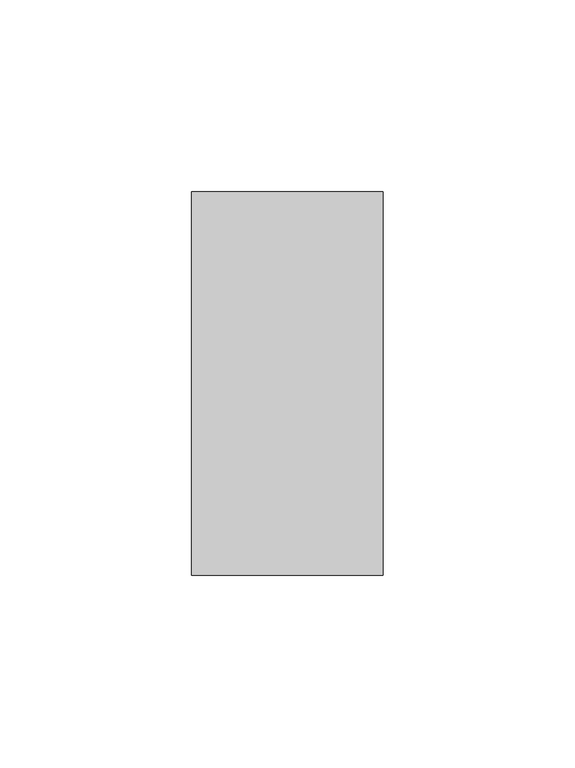
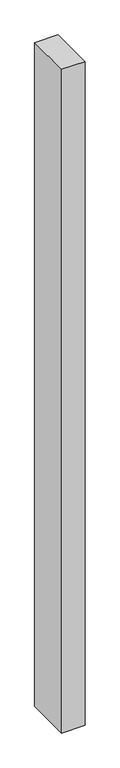
"""IFC4 building model written with IfcOpenShell, lengths in millimetres: plate geometry."""

import ifcopenshell
import ifcopenshell.guid

model = None  # the IFC model being written
_history = None  # IfcOwnerHistory: only IFC2X3 demands one
_inside = {}  # id of a spatial element -> (the spatial element, [elements in it])
_under = {}  # id of a project, library or spatial element -> (it, [spatial elements below it])
_declared = {}  # id of a project -> (the project, [libraries it declares])
_typed = {}  # id of a type object -> (the type object, [elements of that type])
_made_of = {}  # id of a material, layer set ... -> (it, [elements and type objects made of it])


def new_model(schema):
    """Start an empty IFC model of exactly this schema.

    Asked for "IFC4X3", IfcOpenShell would pick the latest addendum, in which some entities
    have other attributes; the version numbers below select the first issue.
    IFC2X3 requires an IfcOwnerHistory on every rooted entity: one is made here for all.
    """
    global model, _history
    if schema == "IFC4X3":
        model = ifcopenshell.file(schema_version=(4, 3, 0, 0))
    else:
        model = ifcopenshell.file(schema=schema)
    _inside.clear()
    _under.clear()
    _declared.clear()
    _typed.clear()
    _made_of.clear()
    _history = None
    if model.schema == "IFC2X3":
        org = make("IfcOrganization", Name="unknown")
        user = make(
            "IfcPersonAndOrganization",
            ThePerson=make("IfcPerson", FamilyName="unknown"),
            TheOrganization=org,
        )
        app = make(
            "IfcApplication",
            ApplicationDeveloper=org,
            Version="unknown",
            ApplicationFullName="unknown",
            ApplicationIdentifier="unknown",
        )
        _history = make(
            "IfcOwnerHistory",
            OwningUser=user,
            OwningApplication=app,
            ChangeAction="ADDED",
            CreationDate=0,
        )
    return model


def make(cls, **values):
    """One entity of the class cls with the attributes given. An attribute that is None is left unset."""
    return model.create_entity(
        cls, **{name: value for name, value in values.items() if value is not None}
    )


def rooted(cls, **values):
    """An entity with a GlobalId (a new one), such as an element, a storey or a relation."""
    return make(cls, GlobalId=ifcopenshell.guid.new(), OwnerHistory=_history, **values)


def si_unit(unit_type, name, prefix=None):
    """IfcSIUnit, for example si_unit("LENGTHUNIT", "METRE", prefix="MILLI")."""
    return make("IfcSIUnit", UnitType=unit_type, Prefix=prefix, Name=name)


def assignment(units):
    """IfcUnitAssignment: the units of a project."""
    return None if units is None else make("IfcUnitAssignment", Units=units)


def point(xyz):
    """IfcCartesianPoint."""
    return None if xyz is None else make("IfcCartesianPoint", Coordinates=xyz)


def direction(xyz):
    """IfcDirection."""
    return None if xyz is None else make("IfcDirection", DirectionRatios=xyz)


def frame(location, z_axis=None, x_axis=None):
    """IfcAxis2Placement3D, a coordinate frame: its origin and axes. An axis left out is left unset."""
    return make(
        "IfcAxis2Placement3D",
        Location=point(location),
        Axis=direction(z_axis),
        RefDirection=direction(x_axis),
    )


def origin():
    """The frame at (0, 0, 0) with its axes left unset."""
    return frame((0.0, 0.0, 0.0))


def origin_with_axes():
    """The frame at (0, 0, 0) with the z axis (0, 0, 1) and the x axis (1, 0, 0) written out."""
    return frame((0.0, 0.0, 0.0), z_axis=(0.0, 0.0, 1.0), x_axis=(1.0, 0.0, 0.0))


def place(relative_to, where):
    """IfcLocalPlacement: puts the frame where relative to a parent placement (None: the world)."""
    return make(
        "IfcLocalPlacement", PlacementRelTo=relative_to, RelativePlacement=where
    )


def context(
    kind, dimensions, precision=None, world=None, true_north=None, identifier=None
):
    """IfcGeometricRepresentationContext, for example the 3D "Model" context."""
    return make(
        "IfcGeometricRepresentationContext",
        ContextIdentifier=identifier,
        ContextType=kind,
        CoordinateSpaceDimension=dimensions,
        Precision=precision,
        WorldCoordinateSystem=world,
        TrueNorth=true_north,
    )


def project(units=None, contexts=None):
    """IfcProject with its units and contexts."""
    return rooted(
        "IfcProject",
        Name="project",
        RepresentationContexts=contexts,
        UnitsInContext=assignment(units),
    )


def spatial(cls, under=None, at=None, **own):
    """A site, building, storey or space (cls), placed at a placement, below another one or the project."""
    s = rooted(cls, ObjectPlacement=at, **own)
    if under is not None:
        _under.setdefault(under.id(), (under, []))[1].append(s)
    return s


def polyline(points):
    """IfcPolyline through the points."""
    return make("IfcPolyline", Points=[point(p) for p in points])


def outline(outer, holes=None, kind="AREA"):
    """IfcArbitraryClosedProfileDef: a profile drawn as a closed curve; with holes, ...WithVoids."""
    if holes is None:
        return make("IfcArbitraryClosedProfileDef", ProfileType=kind, OuterCurve=outer)
    return make(
        "IfcArbitraryProfileDefWithVoids",
        ProfileType=kind,
        OuterCurve=outer,
        InnerCurves=holes,
    )


def extrude(swept, where, along, depth):
    """IfcExtrudedAreaSolid: the profile swept, set in the frame where, extruded along a direction by depth."""
    return make(
        "IfcExtrudedAreaSolid",
        SweptArea=swept,
        Position=where,
        ExtrudedDirection=direction(along),
        Depth=depth,
    )


def shape(context_of_items, identifier, shape_type, items):
    """IfcShapeRepresentation: the items that make up one representation, for example the "Body"."""
    return make(
        "IfcShapeRepresentation",
        ContextOfItems=context_of_items,
        RepresentationIdentifier=identifier,
        RepresentationType=shape_type,
        Items=items,
    )


def source(mapping_origin, context_of_items, identifier, shape_type, items):
    """IfcRepresentationMap: a shape defined once, which mapped items show again and again."""
    return make(
        "IfcRepresentationMap",
        MappingOrigin=mapping_origin,
        MappedRepresentation=shape(context_of_items, identifier, shape_type, items),
    )


def transform(
    local_origin,
    x_axis=None,
    y_axis=None,
    z_axis=None,
    scale=None,
    scale2=None,
    scale3=None,
    uniform=True,
):
    """IfcCartesianTransformationOperator3D, or its non-uniform kind. x_axis, y_axis, z_axis: its Axis1, 2, 3."""
    if uniform:
        return make(
            "IfcCartesianTransformationOperator3D",
            Axis1=direction(x_axis),
            Axis2=direction(y_axis),
            LocalOrigin=point(local_origin),
            Scale=scale,
            Axis3=direction(z_axis),
        )
    return make(
        "IfcCartesianTransformationOperator3DnonUniform",
        Axis1=direction(x_axis),
        Axis2=direction(y_axis),
        LocalOrigin=point(local_origin),
        Scale=scale,
        Axis3=direction(z_axis),
        Scale2=scale2,
        Scale3=scale3,
    )


def mapped(mapping_source, mapping_target):
    """IfcMappedItem: shows the shape of a source again, moved by a transform."""
    return make(
        "IfcMappedItem", MappingSource=mapping_source, MappingTarget=mapping_target
    )


def made_of(thing, what):
    """Note that an element or type object is made of a material, layer set ...; save() writes the relation."""
    if what is not None:
        _made_of.setdefault(what.id(), (what, []))[1].append(thing)
    return thing


def element(
    cls,
    number,
    at=None,
    inside=None,
    cuts=None,
    type_object=None,
    material=None,
    context=None,
    identifier="Body",
    shape_type=None,
    held_by="IfcProductDefinitionShape",
    body=None,
    shapes=None,
    **own,
):
    """One element of the class cls, such as IfcWall. Its Tag is "e" and its number.

    at: its placement. inside: the storey or other place that contains it. cuts: it is an
    opening in that element (IfcRelVoidsElement). A single representation is given by context,
    identifier, shape_type and body (its items); several are given by shapes. held_by: the class
    of the entity that holds the representations. save() writes the other relations.
    """
    e = rooted(cls, Tag="e%d" % number, ObjectPlacement=at, **own)
    if body is not None:
        shapes = [shape(context, identifier, shape_type, body)]
    if shapes is not None:
        e.Representation = make(held_by, Representations=shapes)
    if inside is not None:
        _inside.setdefault(inside.id(), (inside, []))[1].append(e)
    if cuts is not None:
        rooted(
            "IfcRelVoidsElement", RelatingBuildingElement=cuts, RelatedOpeningElement=e
        )
    if type_object is not None:
        _typed.setdefault(type_object.id(), (type_object, []))[1].append(e)
    return made_of(e, material)


def aggregate(whole, parts):
    """IfcRelAggregates: a whole, such as a stair, and the parts it consists of."""
    return rooted("IfcRelAggregates", RelatingObject=whole, RelatedObjects=parts)


def save(model, path):
    """Write the relations noted so far, then the file.

    IfcRelAggregates (storeys below a building ...), IfcRelContainedInSpatialStructure (elements
    in a storey), IfcRelDefinesByType, IfcRelAssociatesMaterial and IfcRelDeclares: one each for
    every whole, place, type object, material and project.
    """
    for whole, parts in _under.values():
        aggregate(whole, parts)
    for where, things in _inside.values():
        rooted(
            "IfcRelContainedInSpatialStructure",
            RelatedElements=things,
            RelatingStructure=where,
        )
    for kind, things in _typed.values():
        rooted("IfcRelDefinesByType", RelatedObjects=things, RelatingType=kind)
    for what, things in _made_of.values():
        rooted("IfcRelAssociatesMaterial", RelatedObjects=things, RelatingMaterial=what)
    for by, libraries in _declared.values():
        rooted("IfcRelDeclares", RelatingContext=by, RelatedDefinitions=libraries)
    model.write(path)


def plate_41d28f44(model_context):
    return source(origin(), model_context, "Body", "SweptSolid", [
        extrude(outline(polyline([(75.0, 100.0), (75.0, 0.0), (25.0, 0.0), (25.0, 100.0), (75.0, 100.0)])), origin_with_axes(), (0.0, 0.0, 1.0), 1500.0),
    ])


if __name__ == "__main__":
    model = new_model("IFC4")
    model_context = context("Model", 3, world=origin())
    ifc_project = project(units=[si_unit("LENGTHUNIT", "METRE", prefix="MILLI")], contexts=[model_context])
    site = spatial("IfcSite", under=ifc_project)
    building = spatial("IfcBuilding", under=site)
    placement = place(None, origin())
    plate_shape = plate_41d28f44(model_context)
    element("IfcPlate", 1, at=placement, inside=building, context=model_context, shape_type="MappedRepresentation", body=[
        mapped(plate_shape, transform((0.0, 0.0, 0.0), x_axis=(1.0, 0.0, 0.0), y_axis=(0.0, 1.0, 0.0), z_axis=(0.0, 0.0, 1.0))),
    ])
    save(model, "model.ifc")
